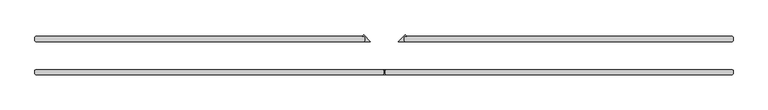
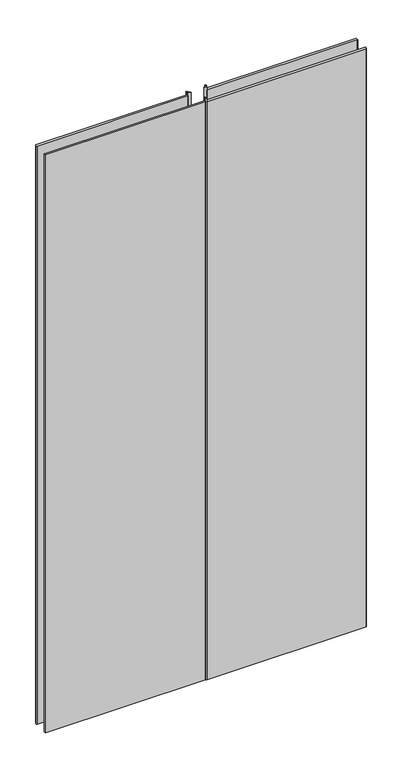
"""IFC4 building model written with IfcOpenShell, lengths in millimetres: plate geometry."""

from ifc_helpers import new_model, si_unit, frame, origin, place, context, project, spatial, polyline, outline, extrude, source, transform, mapped, element, save


def plate_3283cfb5(model_context):
    return source(origin(), model_context, "Body", "SweptSolid", [
        extrude(outline(polyline([(-632.61875, 25.4), (-634.20625, 26.9875), (-634.20625, 33.3375), (-632.61875, 34.925), (-35.71875, 34.925), (-34.13125, 33.3375), (-34.13125, 26.9875), (-35.71875, 25.4), (-632.61875, 25.4)])), frame((0.0, 0.0, 6.35), z_axis=(0.0, 0.0, 1.0), x_axis=(1.0, 0.0, 0.0)), (0.0, 0.0, 1.0), 2409.7289267),
        extrude(outline(polyline([(-34.13125, 26.9875), (-34.13125, 33.3375), (-35.71875, 34.925), (-39.551314, 34.925), (-36.841282, 37.635032), (-24.60625, 25.4), (-35.71875, 25.4), (-34.13125, 26.9875)])), frame((0.0, 0.0, 6.35), z_axis=(0.0, 0.0, 1.0), x_axis=(1.0, 0.0, 0.0)), (0.0, 0.0, 1.0), 2422.4289267),
        extrude(outline(polyline([(35.71875, 26.9875), (37.30625, 25.4), (26.19375, 25.4), (38.428782, 37.635032), (41.138814, 34.925), (37.30625, 34.925), (35.71875, 33.3375), (35.71875, 26.9875)])), frame((0.0, 0.0, 6.35), z_axis=(0.0, 0.0, 1.0), x_axis=(1.0, 0.0, 0.0)), (0.0, 0.0, 1.0), 2422.4289267),
        extrude(outline(polyline([(-632.61875, -34.925), (-634.20625, -33.3375), (-634.20625, -26.9875), (-632.61875, -25.4), (-1.5875, -25.4), (0.0, -26.9875), (0.0, -33.3375), (-1.5875, -34.925), (-632.61875, -34.925)])), frame((0.0, 0.0, 6.35), z_axis=(0.0, 0.0, 1.0), x_axis=(1.0, 0.0, 0.0)), (0.0, 0.0, 1.0), 2409.7289267),
        extrude(outline(polyline([(3.175, -34.925), (-1.5875, -34.925), (0.0, -33.3375), (0.0, -26.9875), (-1.5875, -25.4), (3.175, -25.4), (1.5875, -26.9875), (1.5875, -33.3375), (3.175, -34.925)])), frame((0.0, 0.0, 6.35), z_axis=(0.0, 0.0, 1.0), x_axis=(1.0, 0.0, 0.0)), (0.0, 0.0, 1.0), 2422.4289267),
        extrude(outline(polyline([(632.61875, 25.4), (37.30625, 25.4), (35.71875, 26.9875), (35.71875, 33.3375), (37.30625, 34.925), (632.61875, 34.925), (634.20625, 33.3375), (634.20625, 26.9875), (632.61875, 25.4)])), frame((0.0, 0.0, 6.35), z_axis=(0.0, 0.0, 1.0), x_axis=(1.0, 0.0, 0.0)), (0.0, 0.0, 1.0), 2409.7289267),
        extrude(outline(polyline([(632.61875, -34.925), (3.175, -34.925), (1.5875, -33.3375), (1.5875, -26.9875), (3.175, -25.4), (632.61875, -25.4), (634.20625, -26.9875), (634.20625, -33.3375), (632.61875, -34.925)])), frame((0.0, 0.0, 6.35), z_axis=(0.0, 0.0, 1.0), x_axis=(1.0, 0.0, 0.0)), (0.0, 0.0, 1.0), 2409.7289267),
    ])


if __name__ == "__main__":
    model = new_model("IFC4")
    model_context = context("Model", 3, world=origin())
    ifc_project = project(units=[si_unit("LENGTHUNIT", "METRE", prefix="MILLI")], contexts=[model_context])
    site = spatial("IfcSite", under=ifc_project)
    building = spatial("IfcBuilding", under=site)
    placement = place(None, origin())
    plate_shape = plate_3283cfb5(model_context)
    element("IfcPlate", 1, at=placement, inside=building, context=model_context, shape_type="MappedRepresentation", body=[
        mapped(plate_shape, transform((0.0, 0.0, 0.0), x_axis=(1.0, 0.0, 0.0), y_axis=(0.0, 1.0, 0.0), z_axis=(0.0, 0.0, 1.0))),
    ])
    save(model, "model.ifc")
